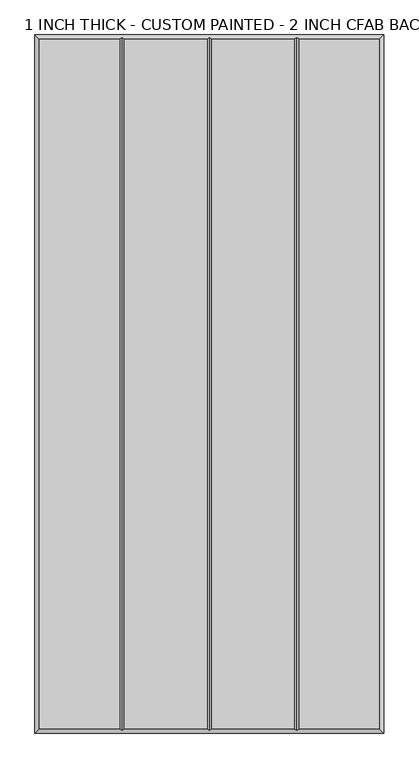
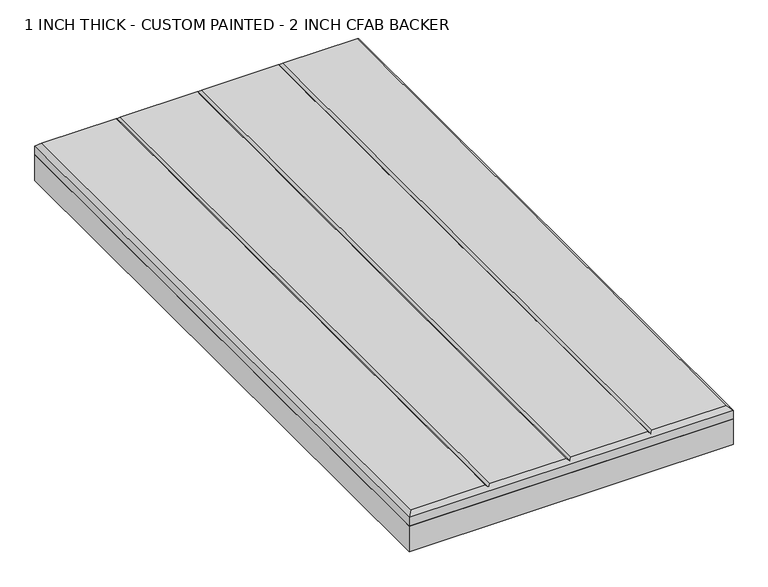
"""IFC4 building model written with IfcOpenShell, lengths in millimetres: proxy geometry, 1 INCH THICK - CUSTOM PAINTED - 2 INCH CFAB BACKER."""

from ifc_helpers import new_model, si_unit, frame, origin, place, context, project, spatial, polyline, outline, extrude, faceted_brep, source, transform, mapped, element, save


def proxy_1_inch_thick_custom_painted_2_inch_cfab_backer_bd6e73cf(model_context):
    return source(origin(), model_context, "Body", "SolidModel", [
        extrude(outline(polyline([(-304.8, 609.6), (304.8, 609.6), (304.8, -609.6), (-304.8, -609.6), (-304.8, 609.6)])), frame((0.0, 0.0, -50.8), z_axis=(0.0, 0.0, 1.0), x_axis=(1.0, 0.0, 0.0)), (0.0, 0.0, 1.0), 50.8),
        faceted_brep([(-296.799, 601.599, 25.4), (-296.799, -601.599, 25.4), (-156.4009826, -601.599, 25.4), (-156.4009826, 601.599, 25.4), (296.799, -601.599, 25.4), (296.799, 601.599, 25.4), (156.4010334, 601.599, 25.4), (156.4010334, -601.599, 25.4), (-148.3999826, 601.599, 25.4), (-148.3999826, -601.599, 25.4), (-4.0004746, -601.599, 25.4), (-4.0004746, 601.599, 25.4), (4.0005254, 601.599, 25.4), (4.0005254, -601.599, 25.4), (148.4000334, -601.599, 25.4), (148.4000334, 601.599, 25.4), (-304.8, 609.6, 0.0), (304.8, 609.6, 0.0), (304.8, -609.6, 0.0), (-304.8, -609.6, 0.0), (-304.8, -609.6, 17.399), (-304.8, 609.6, 17.399), (304.8, -609.6, 17.399), (304.8, 609.6, 17.399), (-152.4004826, 605.5995, 21.3995), (2.54e-05, 605.5995, 21.3995), (152.4005334, 605.5995, 21.3995), (152.4005334, -605.5995, 21.3995), (2.54e-05, -605.5995, 21.3995), (-152.4004826, -605.5995, 21.3995)], [[[0, 1, 2, 3]], [[4, 5, 6, 7]], [[8, 9, 10, 11]], [[12, 13, 14, 15]], [[16, 17, 18, 19]], [[16, 19, 20, 21]], [[19, 18, 22, 20]], [[18, 17, 23, 22]], [[17, 16, 21, 23]], [[21, 0, 3, 24, 8, 11, 25, 12, 15, 26, 6, 5, 23]], [[0, 21, 20, 1]], [[1, 20, 22, 4, 7, 27, 14, 13, 28, 10, 9, 29, 2]], [[23, 5, 4, 22]], [[24, 29, 9, 8]], [[29, 24, 3, 2]], [[25, 28, 13, 12]], [[28, 25, 11, 10]], [[26, 27, 7, 6]], [[27, 26, 15, 14]]]),
    ])


if __name__ == "__main__":
    model = new_model("IFC4")
    model_context = context("Model", 3, world=origin())
    ifc_project = project(units=[si_unit("LENGTHUNIT", "METRE", prefix="MILLI")], contexts=[model_context])
    site = spatial("IfcSite", under=ifc_project)
    building = spatial("IfcBuilding", under=site)
    placement = place(None, origin())
    proxy_1_inch_thick_custom_painted_2_inch_cfab_backer_shape = proxy_1_inch_thick_custom_painted_2_inch_cfab_backer_bd6e73cf(model_context)
    element("IfcBuildingElementProxy", 1, Name="1 INCH THICK - CUSTOM PAINTED - 2 INCH CFAB BACKER", ObjectType="1 INCH THICK - CUSTOM PAINTED - 2 INCH CFAB BACKER", at=placement, inside=building, context=model_context, shape_type="MappedRepresentation", body=[
        mapped(proxy_1_inch_thick_custom_painted_2_inch_cfab_backer_shape, transform((0.0, 0.0, 0.0), x_axis=(1.0, 0.0, 0.0), y_axis=(0.0, 1.0, 0.0), z_axis=(0.0, 0.0, 1.0))),
    ])
    save(model, "model.ifc")
